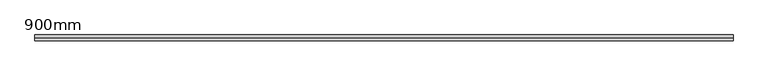
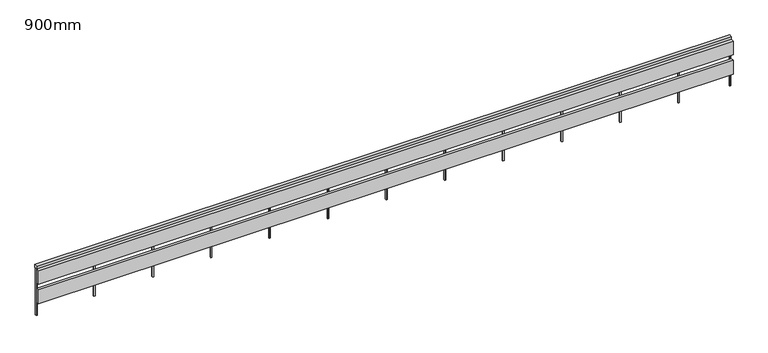
"""IFC4 building model written with IfcOpenShell, lengths in millimetres: railing geometry, 900mm."""

from ifc_helpers import new_model, si_unit, frame, origin, place, context, project, spatial, polyline, outline, extrude, source, transform, mapped, element, save


def railing_900mm_277612fe(model_context):
    return source(origin(), model_context, "Body", "SweptSolid", [
        extrude(outline(polyline([(-4458.5009188, -13764.9211093), (-4458.5009188, -13714.9211093), (7431.4990812, -13714.9211093), (7431.4990812, -13764.9211093), (-4458.5009188, -13764.9211093)])), frame((0.0, 0.0, 4150.0), z_axis=(0.0, 0.0, 1.0), x_axis=(1.0, 0.0, 0.0)), (0.0, 0.0, 1.0), 50.0),
        extrude(outline(polyline([(-4458.5009188, -13814.9211093), (-4458.5009188, -13764.9211093), (7431.4990812, -13764.9211093), (7431.4990812, -13814.9211093), (-4458.5009188, -13814.9211093)])), frame((0.0, 0.0, 3900.0), z_axis=(0.0, 0.0, 1.0), x_axis=(1.0, 0.0, 0.0)), (0.0, 0.0, 1.0), 250.0),
        extrude(outline(polyline([(-4458.5009188, -13814.9211093), (-4458.5009188, -13764.9211093), (7431.4990812, -13764.9211093), (7431.4990812, -13814.9211093), (-4458.5009188, -13814.9211093)])), frame((0.0, 0.0, 3550.0), z_axis=(0.0, 0.0, 1.0), x_axis=(1.0, 0.0, 0.0)), (0.0, 0.0, 1.0), 250.0),
        extrude(outline(polyline([(6531.4990812, -13729.9211093), (6551.4990812, -13729.9211093), (6551.4990812, -13749.9211093), (6531.4990812, -13749.9211093), (6531.4990812, -13729.9211093)])), frame((0.0, 0.0, 3300.0), z_axis=(0.0, 0.0, 1.0), x_axis=(1.0, 0.0, 0.0)), (0.0, 0.0, 1.0), 850.0),
        extrude(outline(polyline([(5531.4990812, -13729.9211093), (5551.4990812, -13729.9211093), (5551.4990812, -13749.9211093), (5531.4990812, -13749.9211093), (5531.4990812, -13729.9211093)])), frame((0.0, 0.0, 3300.0), z_axis=(0.0, 0.0, 1.0), x_axis=(1.0, 0.0, 0.0)), (0.0, 0.0, 1.0), 850.0),
        extrude(outline(polyline([(4531.4990812, -13729.9211093), (4551.4990812, -13729.9211093), (4551.4990812, -13749.9211093), (4531.4990812, -13749.9211093), (4531.4990812, -13729.9211093)])), frame((0.0, 0.0, 3300.0), z_axis=(0.0, 0.0, 1.0), x_axis=(1.0, 0.0, 0.0)), (0.0, 0.0, 1.0), 850.0),
        extrude(outline(polyline([(3531.4990812, -13729.9211093), (3551.4990812, -13729.9211093), (3551.4990812, -13749.9211093), (3531.4990812, -13749.9211093), (3531.4990812, -13729.9211093)])), frame((0.0, 0.0, 3300.0), z_axis=(0.0, 0.0, 1.0), x_axis=(1.0, 0.0, 0.0)), (0.0, 0.0, 1.0), 850.0),
        extrude(outline(polyline([(2531.4990812, -13729.9211093), (2551.4990812, -13729.9211093), (2551.4990812, -13749.9211093), (2531.4990812, -13749.9211093), (2531.4990812, -13729.9211093)])), frame((0.0, 0.0, 3300.0), z_axis=(0.0, 0.0, 1.0), x_axis=(1.0, 0.0, 0.0)), (0.0, 0.0, 1.0), 850.0),
        extrude(outline(polyline([(1531.4990812, -13729.9211093), (1551.4990812, -13729.9211093), (1551.4990812, -13749.9211093), (1531.4990812, -13749.9211093), (1531.4990812, -13729.9211093)])), frame((0.0, 0.0, 3300.0), z_axis=(0.0, 0.0, 1.0), x_axis=(1.0, 0.0, 0.0)), (0.0, 0.0, 1.0), 850.0),
        extrude(outline(polyline([(531.4990812, -13729.9211093), (551.4990812, -13729.9211093), (551.4990812, -13749.9211093), (531.4990812, -13749.9211093), (531.4990812, -13729.9211093)])), frame((0.0, 0.0, 3300.0), z_axis=(0.0, 0.0, 1.0), x_axis=(1.0, 0.0, 0.0)), (0.0, 0.0, 1.0), 850.0),
        extrude(outline(polyline([(-468.5009188, -13729.9211093), (-448.5009188, -13729.9211093), (-448.5009188, -13749.9211093), (-468.5009188, -13749.9211093), (-468.5009188, -13729.9211093)])), frame((0.0, 0.0, 3300.0), z_axis=(0.0, 0.0, 1.0), x_axis=(1.0, 0.0, 0.0)), (0.0, 0.0, 1.0), 850.0),
        extrude(outline(polyline([(-1468.5009188, -13729.9211093), (-1448.5009188, -13729.9211093), (-1448.5009188, -13749.9211093), (-1468.5009188, -13749.9211093), (-1468.5009188, -13729.9211093)])), frame((0.0, 0.0, 3300.0), z_axis=(0.0, 0.0, 1.0), x_axis=(1.0, 0.0, 0.0)), (0.0, 0.0, 1.0), 850.0),
        extrude(outline(polyline([(-2468.5009188, -13729.9211093), (-2448.5009188, -13729.9211093), (-2448.5009188, -13749.9211093), (-2468.5009188, -13749.9211093), (-2468.5009188, -13729.9211093)])), frame((0.0, 0.0, 3300.0), z_axis=(0.0, 0.0, 1.0), x_axis=(1.0, 0.0, 0.0)), (0.0, 0.0, 1.0), 850.0),
        extrude(outline(polyline([(-3468.5009188, -13729.9211093), (-3448.5009188, -13729.9211093), (-3448.5009188, -13749.9211093), (-3468.5009188, -13749.9211093), (-3468.5009188, -13729.9211093)])), frame((0.0, 0.0, 3300.0), z_axis=(0.0, 0.0, 1.0), x_axis=(1.0, 0.0, 0.0)), (0.0, 0.0, 1.0), 850.0),
        extrude(outline(polyline([(7411.4990812, -13729.9211093), (7431.4990812, -13729.9211093), (7431.4990812, -13749.9211093), (7411.4990812, -13749.9211093), (7411.4990812, -13729.9211093)])), frame((0.0, 0.0, 3300.0), z_axis=(0.0, 0.0, 1.0), x_axis=(1.0, 0.0, 0.0)), (0.0, 0.0, 1.0), 850.0),
        extrude(outline(polyline([(-4458.5009188, -13729.9211093), (-4438.5009188, -13729.9211093), (-4438.5009188, -13749.9211093), (-4458.5009188, -13749.9211093), (-4458.5009188, -13729.9211093)])), frame((0.0, 0.0, 3300.0), z_axis=(0.0, 0.0, 1.0), x_axis=(1.0, 0.0, 0.0)), (0.0, 0.0, 1.0), 850.0),
    ])


if __name__ == "__main__":
    model = new_model("IFC4")
    model_context = context("Model", 3, world=origin())
    ifc_project = project(units=[si_unit("LENGTHUNIT", "METRE", prefix="MILLI")], contexts=[model_context])
    site = spatial("IfcSite", under=ifc_project)
    building = spatial("IfcBuilding", under=site)
    placement = place(None, origin())
    railing_900mm_shape = railing_900mm_277612fe(model_context)
    element("IfcRailing", 1, ObjectType="900mm", at=placement, inside=building, context=model_context, shape_type="MappedRepresentation", body=[
        mapped(railing_900mm_shape, transform((0.0, 0.0, 0.0), x_axis=(1.0, 0.0, 0.0), y_axis=(0.0, 1.0, 0.0), z_axis=(0.0, 0.0, 1.0))),
    ])
    save(model, "model.ifc")
